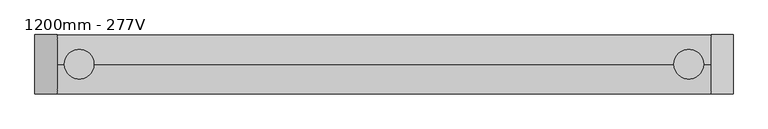
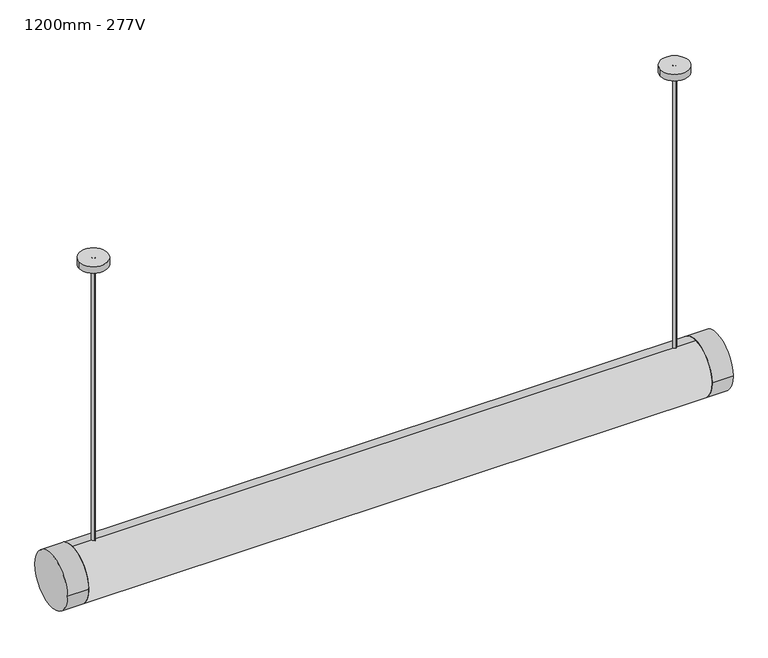
"""IFC4 building model written with IfcOpenShell, lengths in millimetres: light fixture geometry, 1200mm - 277V."""

from ifc_helpers import new_model, si_unit, point, frame, frame_2d, origin, place, context, project, spatial, polyline, circle_curve, trimmed, segment, composite_curve, outline, extrude, source, transform, mapped, element, save


def light_fixture_1200mm_277v_69bcd48b(model_context):
    return source(origin(), model_context, "Body", "SweptSolid", [
        extrude(outline(polyline([(562.1084676, 25.4), (562.1084676, -25.4), (-561.9, -25.4), (-561.9, 25.4), (562.1084676, 25.4)])), frame((0.0, 0.0, 1811.1), z_axis=(0.0, 0.0, 1.0), x_axis=(1.0, 0.0, 0.0)), (0.0, 0.0, 1.0), 12.7),
        extrude(outline(composite_curve([segment(trimmed(circle_curve(frame_2d((0.0, 1849.2)), 50.8), [point((-50.8, 1849.2))], [point((50.8, 1849.2))], False, "CARTESIAN"), True, "CONTINUOUS"), segment(trimmed(circle_curve(frame_2d((0.0, 1849.2)), 50.8), [point((50.8, 1849.2))], [point((-50.8, 1849.2))], False, "CARTESIAN"), True, "CONTINUOUS")], self_intersect=False)), frame((562.1084676, 0.0, 0.0), z_axis=(1.0, 0.0, 0.0), x_axis=(0.0, 1.0, 0.0)), (0.0, 0.0, 1.0), 37.8915324),
        extrude(outline(composite_curve([segment(trimmed(circle_curve(frame_2d((0.0, 1849.2)), 50.81227), [point((50.81227, 1849.2))], [point((-50.81227, 1849.2))], False, "CARTESIAN"), True, "CONTINUOUS"), segment(trimmed(circle_curve(frame_2d((0.0, 1849.2)), 50.81227), [point((-50.81227, 1849.2))], [point((50.81227, 1849.2))], False, "CARTESIAN"), True, "CONTINUOUS")], self_intersect=False)), frame((-600.0, 0.0, 0.0), z_axis=(1.0, 0.0, 0.0), x_axis=(0.0, 1.0, 0.0)), (0.0, 0.0, 1.0), 38.1),
        extrude(outline(composite_curve([segment(trimmed(circle_curve(frame_2d((0.0, 1849.2)), 50.8), [point((-25.4, 1805.2059095))], [point((0.0, 1900.0))], False, "CARTESIAN"), True, "CONTINUOUS"), segment(trimmed(circle_curve(frame_2d((0.0, 1849.2)), 50.8), [point((0.0, 1900.0))], [point((25.4, 1805.2059095))], False, "CARTESIAN"), True, "CONTINUOUS"), segment(polyline([(25.4, 1805.2059095), (25.4, 1836.5), (-25.4, 1836.5), (-25.4, 1805.2059095)]), True, "CONTINUOUS")], self_intersect=False)), frame((-561.9, 0.0, 0.0), z_axis=(1.0, 0.0, 0.0), x_axis=(0.0, 1.0, 0.0)), (0.0, 0.0, 1.0), 1124.0084676),
        extrude(outline(composite_curve([segment(trimmed(circle_curve(frame_2d((-523.8883785, 0.0)), 25.4), [point((-549.2883785, 0.0))], [point((-498.4883785, 0.0))], False, "CARTESIAN"), True, "CONTINUOUS"), segment(trimmed(circle_curve(frame_2d((-523.8883785, 0.0)), 25.4), [point((-498.4883785, 0.0))], [point((-549.2883785, 0.0))], False, "CARTESIAN"), True, "CONTINUOUS")], self_intersect=False)), frame((0.0, 0.0, 2425.7), z_axis=(0.0, 0.0, 1.0), x_axis=(1.0, 0.0, 0.0)), (0.0, 0.0, 1.0), 12.7),
        extrude(outline(composite_curve([segment(trimmed(circle_curve(frame_2d((523.8, 0.0)), 25.4), [point((498.4, 0.0))], [point((549.2, 0.0))], False, "CARTESIAN"), True, "CONTINUOUS"), segment(trimmed(circle_curve(frame_2d((523.8, 0.0)), 25.4), [point((549.2, 0.0))], [point((498.4, 0.0))], False, "CARTESIAN"), True, "CONTINUOUS")], self_intersect=False)), frame((0.0, 0.0, 2425.7), z_axis=(0.0, 0.0, 1.0), x_axis=(1.0, 0.0, 0.0)), (0.0, 0.0, 1.0), 12.7),
        extrude(outline(composite_curve([segment(trimmed(circle_curve(frame_2d((-523.8, 0.0)), 3.175), [point((-523.8, 3.175))], [point((-523.8, -3.175))], False, "CARTESIAN"), True, "CONTINUOUS"), segment(trimmed(circle_curve(frame_2d((-523.8, 0.0)), 3.175), [point((-523.8, -3.175))], [point((-523.8, 3.175))], False, "CARTESIAN"), True, "CONTINUOUS")], self_intersect=False)), frame((0.0, 0.0, 1887.3), z_axis=(0.0, 0.0, 1.0), x_axis=(1.0, 0.0, 0.0)), (0.0, 0.0, 1.0), 551.1),
        extrude(outline(composite_curve([segment(trimmed(circle_curve(frame_2d((523.8, 0.0)), 3.175), [point((523.8, 3.175))], [point((523.8, -3.175))], False, "CARTESIAN"), True, "CONTINUOUS"), segment(trimmed(circle_curve(frame_2d((523.8, 0.0)), 3.175), [point((523.8, -3.175))], [point((523.8, 3.175))], False, "CARTESIAN"), True, "CONTINUOUS")], self_intersect=False)), frame((0.0, 0.0, 1887.3), z_axis=(0.0, 0.0, 1.0), x_axis=(1.0, 0.0, 0.0)), (0.0, 0.0, 1.0), 551.1),
    ])


if __name__ == "__main__":
    model = new_model("IFC4")
    model_context = context("Model", 3, world=origin())
    ifc_project = project(units=[si_unit("LENGTHUNIT", "METRE", prefix="MILLI")], contexts=[model_context])
    site = spatial("IfcSite", under=ifc_project)
    building = spatial("IfcBuilding", under=site)
    placement = place(None, origin())
    light_fixture_1200mm_277v_shape = light_fixture_1200mm_277v_69bcd48b(model_context)
    element("IfcLightFixture", 1, ObjectType="1200mm - 277V", at=placement, inside=building, context=model_context, shape_type="MappedRepresentation", body=[
        mapped(light_fixture_1200mm_277v_shape, transform((0.0, 0.0, 0.0), x_axis=(1.0, 0.0, 0.0), y_axis=(0.0, 1.0, 0.0), z_axis=(0.0, 0.0, 1.0))),
    ])
    save(model, "model.ifc")
